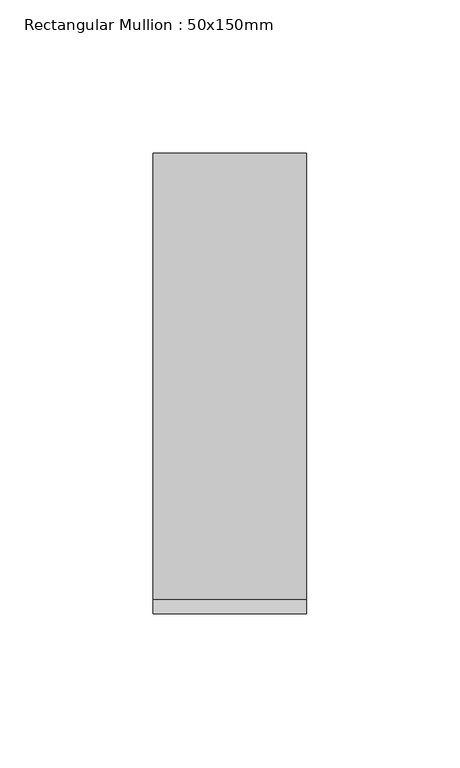
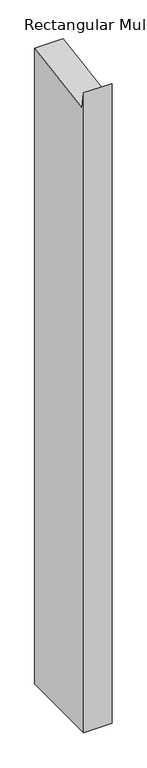
"""IFC4 building model written with IfcOpenShell, lengths in millimetres: member geometry, Rectangular Mullion : 50x150mm."""

from ifc_helpers import new_model, si_unit, frame, origin, place, context, project, spatial, polyline, outline, extrude, source, transform, mapped, element, save


def rectangular_mullion_50x150mm_d69b8f12(model_context):
    return source(origin(), model_context, "Body", "SweptSolid", [
        extrude(outline(polyline([(-75.0, 19.097372), (-70.1657639, -11.4247934), (75.0, 11.5672049), (75.0, -1176.4757203), (-75.0, -1176.4757203), (-75.0, 19.097372)])), frame((-50.0, 0.0, 0.0), z_axis=(1.0, 0.0, 0.0), x_axis=(0.0, 1.0, 0.0)), (0.0, 0.0, 1.0), 50.0),
    ])


if __name__ == "__main__":
    model = new_model("IFC4")
    model_context = context("Model", 3, world=origin())
    ifc_project = project(units=[si_unit("LENGTHUNIT", "METRE", prefix="MILLI")], contexts=[model_context])
    site = spatial("IfcSite", under=ifc_project)
    building = spatial("IfcBuilding", under=site)
    placement = place(None, origin())
    rectangular_mullion_50x150mm_shape = rectangular_mullion_50x150mm_d69b8f12(model_context)
    element("IfcMember", 1, ObjectType="Rectangular Mullion : 50x150mm", at=placement, inside=building, context=model_context, shape_type="MappedRepresentation", body=[
        mapped(rectangular_mullion_50x150mm_shape, transform((0.0, 0.0, 0.0), x_axis=(1.0, 0.0, 0.0), y_axis=(0.0, 1.0, 0.0), z_axis=(0.0, 0.0, 1.0))),
    ])
    save(model, "model.ifc")
